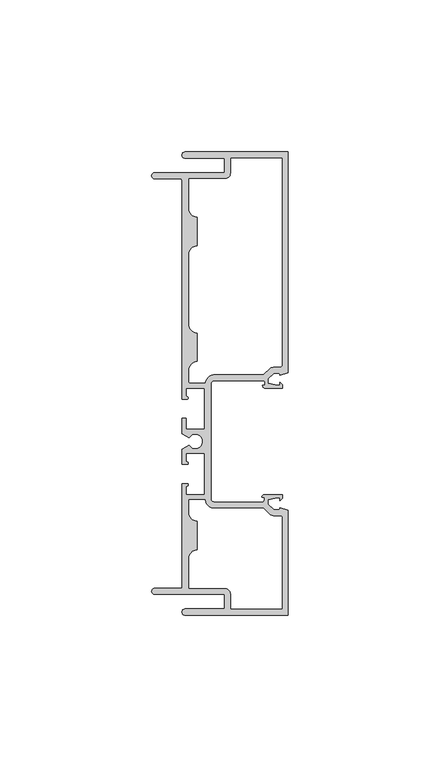
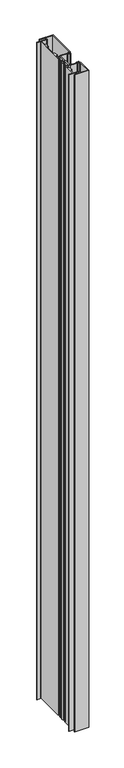
"""IFC4 building model written with IfcOpenShell, lengths in millimetres: plate geometry."""

import ifcopenshell
import ifcopenshell.guid

model = None  # the IFC model being written
_history = None  # IfcOwnerHistory: only IFC2X3 demands one
_inside = {}  # id of a spatial element -> (the spatial element, [elements in it])
_under = {}  # id of a project, library or spatial element -> (it, [spatial elements below it])
_declared = {}  # id of a project -> (the project, [libraries it declares])
_typed = {}  # id of a type object -> (the type object, [elements of that type])
_made_of = {}  # id of a material, layer set ... -> (it, [elements and type objects made of it])


def new_model(schema):
    """Start an empty IFC model of exactly this schema.

    Asked for "IFC4X3", IfcOpenShell would pick the latest addendum, in which some entities
    have other attributes; the version numbers below select the first issue.
    IFC2X3 requires an IfcOwnerHistory on every rooted entity: one is made here for all.
    """
    global model, _history
    if schema == "IFC4X3":
        model = ifcopenshell.file(schema_version=(4, 3, 0, 0))
    else:
        model = ifcopenshell.file(schema=schema)
    _inside.clear()
    _under.clear()
    _declared.clear()
    _typed.clear()
    _made_of.clear()
    _history = None
    if model.schema == "IFC2X3":
        org = make("IfcOrganization", Name="unknown")
        user = make(
            "IfcPersonAndOrganization",
            ThePerson=make("IfcPerson", FamilyName="unknown"),
            TheOrganization=org,
        )
        app = make(
            "IfcApplication",
            ApplicationDeveloper=org,
            Version="unknown",
            ApplicationFullName="unknown",
            ApplicationIdentifier="unknown",
        )
        _history = make(
            "IfcOwnerHistory",
            OwningUser=user,
            OwningApplication=app,
            ChangeAction="ADDED",
            CreationDate=0,
        )
    return model


def make(cls, **values):
    """One entity of the class cls with the attributes given. An attribute that is None is left unset."""
    return model.create_entity(
        cls, **{name: value for name, value in values.items() if value is not None}
    )


def rooted(cls, **values):
    """An entity with a GlobalId (a new one), such as an element, a storey or a relation."""
    return make(cls, GlobalId=ifcopenshell.guid.new(), OwnerHistory=_history, **values)


def si_unit(unit_type, name, prefix=None):
    """IfcSIUnit, for example si_unit("LENGTHUNIT", "METRE", prefix="MILLI")."""
    return make("IfcSIUnit", UnitType=unit_type, Prefix=prefix, Name=name)


def assignment(units):
    """IfcUnitAssignment: the units of a project."""
    return None if units is None else make("IfcUnitAssignment", Units=units)


def point(xyz):
    """IfcCartesianPoint."""
    return None if xyz is None else make("IfcCartesianPoint", Coordinates=xyz)


def direction(xyz):
    """IfcDirection."""
    return None if xyz is None else make("IfcDirection", DirectionRatios=xyz)


def frame(location, z_axis=None, x_axis=None):
    """IfcAxis2Placement3D, a coordinate frame: its origin and axes. An axis left out is left unset."""
    return make(
        "IfcAxis2Placement3D",
        Location=point(location),
        Axis=direction(z_axis),
        RefDirection=direction(x_axis),
    )


def origin():
    """The frame at (0, 0, 0) with its axes left unset."""
    return frame((0.0, 0.0, 0.0))


def place(relative_to, where):
    """IfcLocalPlacement: puts the frame where relative to a parent placement (None: the world)."""
    return make(
        "IfcLocalPlacement", PlacementRelTo=relative_to, RelativePlacement=where
    )


def context(
    kind, dimensions, precision=None, world=None, true_north=None, identifier=None
):
    """IfcGeometricRepresentationContext, for example the 3D "Model" context."""
    return make(
        "IfcGeometricRepresentationContext",
        ContextIdentifier=identifier,
        ContextType=kind,
        CoordinateSpaceDimension=dimensions,
        Precision=precision,
        WorldCoordinateSystem=world,
        TrueNorth=true_north,
    )


def project(units=None, contexts=None):
    """IfcProject with its units and contexts."""
    return rooted(
        "IfcProject",
        Name="project",
        RepresentationContexts=contexts,
        UnitsInContext=assignment(units),
    )


def spatial(cls, under=None, at=None, **own):
    """A site, building, storey or space (cls), placed at a placement, below another one or the project."""
    s = rooted(cls, ObjectPlacement=at, **own)
    if under is not None:
        _under.setdefault(under.id(), (under, []))[1].append(s)
    return s


def polyline(points):
    """IfcPolyline through the points."""
    return make("IfcPolyline", Points=[point(p) for p in points])


def circle_curve(where, radius):
    """IfcCircle in the frame where."""
    return make("IfcCircle", Position=where, Radius=radius)


def shape(context_of_items, identifier, shape_type, items):
    """IfcShapeRepresentation: the items that make up one representation, for example the "Body"."""
    return make(
        "IfcShapeRepresentation",
        ContextOfItems=context_of_items,
        RepresentationIdentifier=identifier,
        RepresentationType=shape_type,
        Items=items,
    )


def source(mapping_origin, context_of_items, identifier, shape_type, items):
    """IfcRepresentationMap: a shape defined once, which mapped items show again and again."""
    return make(
        "IfcRepresentationMap",
        MappingOrigin=mapping_origin,
        MappedRepresentation=shape(context_of_items, identifier, shape_type, items),
    )


def transform(
    local_origin,
    x_axis=None,
    y_axis=None,
    z_axis=None,
    scale=None,
    scale2=None,
    scale3=None,
    uniform=True,
):
    """IfcCartesianTransformationOperator3D, or its non-uniform kind. x_axis, y_axis, z_axis: its Axis1, 2, 3."""
    if uniform:
        return make(
            "IfcCartesianTransformationOperator3D",
            Axis1=direction(x_axis),
            Axis2=direction(y_axis),
            LocalOrigin=point(local_origin),
            Scale=scale,
            Axis3=direction(z_axis),
        )
    return make(
        "IfcCartesianTransformationOperator3DnonUniform",
        Axis1=direction(x_axis),
        Axis2=direction(y_axis),
        LocalOrigin=point(local_origin),
        Scale=scale,
        Axis3=direction(z_axis),
        Scale2=scale2,
        Scale3=scale3,
    )


def mapped(mapping_source, mapping_target):
    """IfcMappedItem: shows the shape of a source again, moved by a transform."""
    return make(
        "IfcMappedItem", MappingSource=mapping_source, MappingTarget=mapping_target
    )


def made_of(thing, what):
    """Note that an element or type object is made of a material, layer set ...; save() writes the relation."""
    if what is not None:
        _made_of.setdefault(what.id(), (what, []))[1].append(thing)
    return thing


def element(
    cls,
    number,
    at=None,
    inside=None,
    cuts=None,
    type_object=None,
    material=None,
    context=None,
    identifier="Body",
    shape_type=None,
    held_by="IfcProductDefinitionShape",
    body=None,
    shapes=None,
    **own,
):
    """One element of the class cls, such as IfcWall. Its Tag is "e" and its number.

    at: its placement. inside: the storey or other place that contains it. cuts: it is an
    opening in that element (IfcRelVoidsElement). A single representation is given by context,
    identifier, shape_type and body (its items); several are given by shapes. held_by: the class
    of the entity that holds the representations. save() writes the other relations.
    """
    e = rooted(cls, Tag="e%d" % number, ObjectPlacement=at, **own)
    if body is not None:
        shapes = [shape(context, identifier, shape_type, body)]
    if shapes is not None:
        e.Representation = make(held_by, Representations=shapes)
    if inside is not None:
        _inside.setdefault(inside.id(), (inside, []))[1].append(e)
    if cuts is not None:
        rooted(
            "IfcRelVoidsElement", RelatingBuildingElement=cuts, RelatedOpeningElement=e
        )
    if type_object is not None:
        _typed.setdefault(type_object.id(), (type_object, []))[1].append(e)
    return made_of(e, material)


def aggregate(whole, parts):
    """IfcRelAggregates: a whole, such as a stair, and the parts it consists of."""
    return rooted("IfcRelAggregates", RelatingObject=whole, RelatedObjects=parts)


def save(model, path):
    """Write the relations noted so far, then the file.

    IfcRelAggregates (storeys below a building ...), IfcRelContainedInSpatialStructure (elements
    in a storey), IfcRelDefinesByType, IfcRelAssociatesMaterial and IfcRelDeclares: one each for
    every whole, place, type object, material and project.
    """
    for whole, parts in _under.values():
        aggregate(whole, parts)
    for where, things in _inside.values():
        rooted(
            "IfcRelContainedInSpatialStructure",
            RelatedElements=things,
            RelatingStructure=where,
        )
    for kind, things in _typed.values():
        rooted("IfcRelDefinesByType", RelatedObjects=things, RelatingType=kind)
    for what, things in _made_of.values():
        rooted("IfcRelAssociatesMaterial", RelatedObjects=things, RelatingMaterial=what)
    for by, libraries in _declared.values():
        rooted("IfcRelDeclares", RelatingContext=by, RelatedDefinitions=libraries)
    model.write(path)


def plane_surface(at):
    """IfcPlane: the flat surface through the origin of the frame at, square to its z axis."""
    return make("IfcPlane", Position=at)


def cylinder_surface(at, radius):
    """IfcCylindricalSurface: all points at the distance radius from the z axis of the frame at."""
    return make("IfcCylindricalSurface", Position=at, Radius=radius)


def revolved_surface(curve, axis_point, axis_direction):
    """IfcSurfaceOfRevolution: the curve turned about the line through axis_point along axis_direction."""
    return make(
        "IfcSurfaceOfRevolution",
        SweptCurve=make("IfcArbitraryOpenProfileDef", ProfileType="CURVE", Curve=curve),
        AxisPosition=make("IfcAxis1Placement", Location=point(axis_point), Axis=direction(axis_direction)),
    )


def extruded_surface(curve, direction_of_extrusion, depth):
    """IfcSurfaceOfLinearExtrusion: the curve pushed along a direction by depth."""
    return make(
        "IfcSurfaceOfLinearExtrusion",
        SweptCurve=make("IfcArbitraryOpenProfileDef", ProfileType="CURVE", Curve=curve),
        ExtrudedDirection=direction(direction_of_extrusion),
        Depth=depth,
    )


def spline_curve(degree, points, multiplicities, knots, weights=None):
    """IfcBSplineCurveWithKnots; with weights, IfcRationalBSplineCurveWithKnots."""
    own = dict(
        Degree=degree,
        ControlPointsList=[point(p) for p in points],
        CurveForm="UNSPECIFIED",
        ClosedCurve=False,
        SelfIntersect=False,
        KnotMultiplicities=multiplicities,
        Knots=knots,
        KnotSpec="UNSPECIFIED",
    )
    if weights is None:
        return make("IfcBSplineCurveWithKnots", **own)
    return make("IfcRationalBSplineCurveWithKnots", WeightsData=weights, **own)


def advanced_brep(points, edges, surfaces, faces):
    """IfcAdvancedBrep: a solid bounded by faces that lie on surfaces and meet in shared edges.

    An edge is (start, end): straight between two places in points (the first is 0);
    or (start, end, curve); or (start, end, curve, False) where it runs against its curve.
    A face is (place in surfaces, loops), or (place, loops, False) where it looks against
    its surface's normal. A loop lists edges by number (the first is 1), with a minus sign
    where the edge is run from its end to its start. The first loop is the outer one.
    """
    corners = [point(p) for p in points]
    vertices = [make("IfcVertexPoint", VertexGeometry=c) for c in corners]
    made = []
    for start, end, *more in edges:
        made.append(
            make(
                "IfcEdgeCurve",
                EdgeStart=vertices[start],
                EdgeEnd=vertices[end],
                EdgeGeometry=more[0] if more else make("IfcPolyline", Points=[corners[start], corners[end]]),
                SameSense=more[1] if len(more) > 1 else True,
            )
        )
    hull = []
    for where, loops, *sense in faces:
        bounds = []
        for j, loop in enumerate(loops):
            ring = [make("IfcOrientedEdge", EdgeElement=made[abs(k) - 1], Orientation=k > 0) for k in loop]
            bounds.append(
                make(
                    "IfcFaceOuterBound" if j == 0 else "IfcFaceBound",
                    Bound=make("IfcEdgeLoop", EdgeList=ring),
                    Orientation=True,
                )
            )
        hull.append(make("IfcAdvancedFace", Bounds=bounds, FaceSurface=surfaces[where], SameSense=sense[0] if sense else True))
    return make("IfcAdvancedBrep", Outer=make("IfcClosedShell", CfsFaces=hull))


def plate_f58cd3ab(model_context):
    return source(origin(), model_context, "Body", "AdvancedBrep", [
        advanced_brep(
        [(97.8535, 107.95, 1710.2666667), (97.8535, 105.918, 1710.2666667), (110.8837, 105.918, 1710.2666667), (110.8837, 101.1428, 1710.2666667), (87.8967, 101.1428, 1710.2666667), (87.8967, 99.1108, 1710.2666667), (96.3295, 99.1108, 1710.2666667), (96.8375, 98.6028, 1710.2666667), (96.8375, 26.6065635, 1710.2666667), (98.5012, 26.6065635, 1710.2666667), (98.5012, 27.3939635, 1710.2666667), (98.1075, 28.0613166, 1710.2666667), (98.1075, 30.1879635, 1710.2666667), (104.3305, 30.1879635, 1710.2666667), (104.3305, 16.6751635, 1710.2666667), (98.1075, 16.6751635, 1710.2666667), (98.1075, 20.2565635, 1710.2666667), (96.8375, 20.2565635, 1710.2666667), (96.8375, 15.2424237, 1710.2666667), (99.1292807, 13.9192635, 1710.2666667), (99.1292807, 11.5062635, 1710.2666667), (96.8375, 10.1831033, 1710.2666667), (96.8375, 5.1689635, 1710.2666667), (98.5012, 5.1689635, 1710.2666667), (98.1075, 6.1451016, 1710.2666667), (98.1075, 8.7503635, 1710.2666667), (104.3305, 8.7503635, 1710.2666667), (104.3305, -4.7624365, 1710.2666667), (98.1075, -4.7624365, 1710.2666667), (98.1075, -2.1610439, 1710.2666667), (98.5012, -1.1849057, 1710.2666667), (96.8375, -1.1849057, 1710.2666667), (96.8375, -35.6108, 1710.2666667), (87.8967, -35.6108, 1710.2666667), (87.8967, -37.6428, 1710.2666667), (110.8837, -37.6428, 1710.2666667), (110.8837, -42.418, 1710.2666667), (97.8535, -42.418, 1710.2666667), (97.8535, -44.45, 1710.2666667), (131.7625, -44.45, 1710.2666667), (131.7625, -9.9816997, 1710.2666667), (129.159, -9.06653, 1710.2666667), (128.9000739, -9.80313, 1710.2666667), (127.07464, -9.80313, 1710.2666667), (125.1966, -7.92353, 1710.2666667), (125.1966, -6.4494761, 1710.2666667), (128.1938, -5.7912, 1710.2666667), (129.159, -5.7912, 1710.2666667), (129.159, -6.734082, 1710.2666667), (129.9729726, -5.9201094, 1710.2666667), (129.9729726, -4.7752, 1710.2666667), (124.1098848, -4.7752, 1710.2666667), (123.1445578, -5.740527, 1710.2666667), (123.9266, -5.740527, 1710.2666667), (123.9266, -6.680327, 1710.2666667), (123.2916, -7.315327, 1710.2666667), (107.6325, -7.315327, 1710.2666667), (106.3625, -6.045327, 1710.2666667), (106.3625, 31.445327, 1710.2666667), (107.6325, 32.715327, 1710.2666667), (123.5892562, 32.715327, 1710.2666667), (124.2242562, 32.080327, 1710.2666667), (124.2242562, 31.140527, 1710.2666667), (123.3678, 31.140527, 1710.2666667), (124.333127, 30.1752, 1710.2666667), (129.9729726, 30.1752, 1710.2666667), (129.9729726, 31.3201094, 1710.2666667), (129.159, 32.134082, 1710.2666667), (129.159, 31.1912, 1710.2666667), (128.1938, 31.1912, 1710.2666667), (125.1966, 31.8494761, 1710.2666667), (125.1966, 33.32353, 1710.2666667), (127.07464, 35.20313, 1710.2666667), (128.9000739, 35.20313, 1710.2666667), (129.159, 34.46653, 1710.2666667), (131.7625, 35.3816997, 1710.2666667), (131.7625, 107.95, 1710.2666667), (99.1235, 99.1108, 1710.2666667), (110.8837, 99.1108, 1710.2666667), (112.9157, 101.1428, 1710.2666667), (112.9157, 105.918, 1710.2666667), (129.7305, 105.918, 1710.2666667), (129.7305, 37.74313, 1710.2666667), (129.2225, 37.23513, 1710.2666667), (127.3378201, 37.23513, 1710.2666667), (125.4511835, 36.4532007, 1710.2666667), (123.7467256, 34.747327, 1710.2666667), (107.6325, 34.747327, 1710.2666667), (104.3718238, 31.9660905, 1710.2666667), (99.6315, 31.9660905, 1710.2666667), (99.1235, 32.4740905, 1710.2666667), (99.1235, 36.1188, 1710.2666667), (101.9175, 38.9128, 1710.2666667), (101.9175, 48.4378, 1710.2666667), (99.1235, 51.2318, 1710.2666667), (99.1235, 74.2315, 1710.2666667), (101.9175, 77.0255, 1710.2666667), (101.9175, 86.5505, 1710.2666667), (99.1235, 89.3445, 1710.2666667), (127.3378201, -11.83513, 1710.2666667), (129.2225, -11.83513, 1710.2666667), (129.7305, -12.34313, 1710.2666667), (129.7305, -42.418, 1710.2666667), (112.9157, -42.418, 1710.2666667), (112.9157, -37.6428, 1710.2666667), (110.8837, -35.6108, 1710.2666667), (99.1235, -35.6108, 1710.2666667), (99.1235, -25.8318, 1710.2666667), (101.9175, -23.0378, 1710.2666667), (101.9175, -13.5128, 1710.2666667), (99.1235, -10.7188, 1710.2666667), (99.1235, -6.5405635, 1710.2666667), (104.3678492, -6.5405635, 1710.2666667), (107.6325, -9.347327, 1710.2666667), (123.7467256, -9.347327, 1710.2666667), (125.4511835, -11.0532007, 1710.2666667), (97.8535, 107.95, 0.0), (131.7625, 107.95, 0.0), (131.7625, 35.3816997, 0.0), (129.159, 34.46653, 0.0), (128.9000739, 35.20313, 0.0), (127.07464, 35.20313, 0.0), (125.1966, 33.32353, 0.0), (125.1966, 31.8494761, 0.0), (128.1938, 31.1912, 0.0), (129.159, 31.1912, 0.0), (129.159, 32.134082, 0.0), (129.9729726, 31.3201094, 0.0), (129.9729726, 30.1752, 0.0), (124.333127, 30.1752, 0.0), (123.3678, 31.140527, 0.0), (124.2242562, 31.140527, 0.0), (124.2242562, 32.080327, 0.0), (123.5892562, 32.715327, 0.0), (107.6325, 32.715327, 0.0), (106.3625, 31.445327, 0.0), (106.3625, -6.045327, 0.0), (107.6325, -7.315327, 0.0), (123.2916, -7.315327, 0.0), (123.9266, -6.680327, 0.0), (123.9266, -5.740527, 0.0), (123.1445578, -5.740527, 0.0), (124.1098848, -4.7752, 0.0), (129.9729726, -4.7752, 0.0), (129.9729726, -5.9201094, 0.0), (129.159, -6.734082, 0.0), (129.159, -5.7912, 0.0), (128.1938, -5.7912, 0.0), (125.1966, -6.4494761, 0.0), (125.1966, -7.92353, 0.0), (127.07464, -9.80313, 0.0), (128.9000739, -9.80313, 0.0), (129.159, -9.06653, 0.0), (131.7625, -9.9816997, 0.0), (131.7625, -44.45, 0.0), (97.8535, -44.45, 0.0), (97.8535, -42.418, 0.0), (110.8837, -42.418, 0.0), (110.8837, -37.6428, 0.0), (87.8967, -37.6428, 0.0), (87.8967, -35.6108, 0.0), (96.8375, -35.6108, 0.0), (96.8375, -1.1849057, 0.0), (98.5012, -1.1849057, 0.0), (98.1075, -2.1610439, 0.0), (98.1075, -4.7624365, 0.0), (104.3305, -4.7624365, 0.0), (104.3305, 8.7503635, 0.0), (98.1075, 8.7503635, 0.0), (98.1075, 6.1451016, 0.0), (98.5012, 5.1689635, 0.0), (96.8375, 5.1689635, 0.0), (96.8375, 10.1831033, 0.0), (99.1292807, 11.5062635, 0.0), (99.1292807, 13.9192635, 0.0), (96.8375, 15.2424237, 0.0), (96.8375, 20.2565635, 0.0), (98.1075, 20.2565635, 0.0), (98.1075, 16.6751635, 0.0), (104.3305, 16.6751635, 0.0), (104.3305, 30.1879635, 0.0), (98.1075, 30.1879635, 0.0), (98.1075, 28.0613166, 0.0), (98.5012, 27.3939635, 0.0), (98.5012, 26.6065635, 0.0), (96.8375, 26.6065635, 0.0), (96.8375, 98.6028, 0.0), (96.3295, 99.1108, 0.0), (87.8967, 99.1108, 0.0), (87.8967, 101.1428, 0.0), (110.8837, 101.1428, 0.0), (110.8837, 105.918, 0.0), (97.8535, 105.918, 0.0), (99.1235, 99.1108, 0.0), (99.1235, 89.3445, 0.0), (101.9175, 86.5505, 0.0), (101.9175, 77.0255, 0.0), (99.1235, 74.2315, 0.0), (99.1235, 51.2318, 0.0), (101.9175, 48.4378, 0.0), (101.9175, 38.9128, 0.0), (99.1235, 36.1188, 0.0), (99.1235, 32.4740905, 0.0), (99.6315, 31.9660905, 0.0), (104.3718238, 31.9660905, 0.0), (107.6325, 34.747327, 0.0), (123.7467256, 34.747327, 0.0), (125.4511835, 36.4532007, 0.0), (127.3378201, 37.23513, 0.0), (129.2225, 37.23513, 0.0), (129.7305, 37.74313, 0.0), (129.7305, 105.918, 0.0), (112.9157, 105.918, 0.0), (112.9157, 101.1428, 0.0), (110.8837, 99.1108, 0.0), (127.3378201, -11.83513, 0.0), (125.4511835, -11.0532007, 0.0), (123.7467256, -9.347327, 0.0), (107.6325, -9.347327, 0.0), (104.3678492, -6.5405635, 0.0), (99.1235, -6.5405635, 0.0), (99.1235, -10.7188, 0.0), (101.9175, -13.5128, 0.0), (101.9175, -23.0378, 0.0), (99.1235, -25.8318, 0.0), (99.1235, -35.6108, 0.0), (110.8837, -35.6108, 0.0), (112.9157, -37.6428, 0.0), (112.9157, -42.418, 0.0), (129.7305, -42.418, 0.0), (129.7305, -12.34313, 0.0), (129.2225, -11.83513, 0.0)],
        [
            (0, 1, circle_curve(frame((97.8535, 106.934, 1710.2666667), z_axis=(0.0, 0.0, 1.0), x_axis=(0.0, 1.0, 0.0)), 1.016)),
            (1, 2),
            (2, 3),
            (3, 4),
            (4, 5, circle_curve(frame((87.8967, 100.1268, 1710.2666667), z_axis=(0.0, 0.0, 1.0), x_axis=(0.0, 1.0, 0.0)), 1.016)),
            (5, 6),
            (6, 7, circle_curve(frame((96.3295, 98.6028, 1710.2666667), z_axis=(0.0, 0.0, -1.0), x_axis=(0.0, 1.0, 0.0)), 0.508)),
            (7, 8),
            (8, 9),
            (9, 10, circle_curve(frame((98.5012, 27.0002635, 1710.2666667), z_axis=(0.0, 0.0, 1.0), x_axis=(0.0, 1.0, 0.0)), 0.3937)),
            (10, 11, circle_curve(frame((98.8699585, 28.0613166, 1710.2666667), z_axis=(0.0, 0.0, -1.0), x_axis=(0.0, 1.0, 0.0)), 0.7624585)),
            (11, 12),
            (12, 13),
            (13, 14),
            (14, 15),
            (15, 16),
            (16, 17),
            (17, 18),
            (18, 19),
            (19, 20, circle_curve(frame((101.219, 12.7127635, 1710.2666667), z_axis=(0.0, 0.0, -1.0), x_axis=(0.0, 1.0, 0.0)), 2.413)),
            (20, 21),
            (21, 22),
            (22, 23),
            (23, 24, spline_curve(3, [(98.5012, 5.1689635, 1710.2666667), (98.740983519, 5.211243804, 1710.2666667), (98.782143914, 5.24201685, 1710.2666667), (98.850249598, 5.317468563, 1710.2666667), (98.857891197, 5.360805734, 1710.2666667), (98.873382803, 5.546790741, 1710.2666667), (98.879748834, 5.725625622, 1710.2666667), (98.665948995, 5.939336439, 1710.2666667), (98.401363232, 5.93933635, 1710.2666667), (98.1075, 6.1451016, 1710.2666667)], [4, 2, 2, 2, 4], [0.0, 0.0005581775979920252, 0.0014141886036385456, 0.002659292844354508, 0.004147214338502557])),
            (24, 25),
            (25, 26),
            (26, 27),
            (27, 28),
            (28, 29),
            (29, 30, spline_curve(3, [(98.1075, -2.1610439, 1710.2666667), (98.401363232, -1.95527865, 1710.2666667), (98.665948995, -1.955278639, 1710.2666667), (98.879748834, -1.741567822, 1710.2666667), (98.873382803, -1.562732941, 1710.2666667), (98.857891197, -1.376747934, 1710.2666667), (98.850249598, -1.333410763, 1710.2666667), (98.782143914, -1.25795905, 1710.2666667), (98.740983519, -1.227186004, 1710.2666667), (98.5012, -1.1849057, 1710.2666667)], [4, 2, 2, 2, 4], [0.0, 0.0014879214941480494, 0.0027330257348640117, 0.003589036740510532, 0.004147214338502557])),
            (30, 31),
            (31, 32),
            (32, 33),
            (33, 34, circle_curve(frame((87.8967, -36.6268, 1710.2666667), z_axis=(0.0, 0.0, 1.0), x_axis=(0.0, 1.0, 0.0)), 1.016)),
            (34, 35),
            (35, 36),
            (36, 37),
            (37, 38, circle_curve(frame((97.8535, -43.434, 1710.2666667), z_axis=(0.0, 0.0, 1.0), x_axis=(0.0, 1.0, 0.0)), 1.016)),
            (38, 39),
            (39, 40),
            (40, 41),
            (41, 42),
            (42, 43),
            (43, 44),
            (44, 45),
            (45, 46),
            (46, 47),
            (47, 48),
            (48, 49),
            (49, 50),
            (50, 51),
            (51, 52, circle_curve(frame((124.1098848, -5.740527, 1710.2666667), z_axis=(0.0, 0.0, 1.0), x_axis=(0.0, 1.0, 0.0)), 0.965327)),
            (52, 53),
            (53, 54),
            (54, 55, circle_curve(frame((123.2916, -6.680327, 1710.2666667), z_axis=(0.0, 0.0, -1.0), x_axis=(0.0, 1.0, 0.0)), 0.635)),
            (55, 56),
            (56, 57, circle_curve(frame((107.6325, -6.045327, 1710.2666667), z_axis=(0.0, 0.0, -1.0), x_axis=(0.0, 1.0, 0.0)), 1.27)),
            (57, 58),
            (58, 59, circle_curve(frame((107.6325, 31.445327, 1710.2666667), z_axis=(0.0, 0.0, -1.0), x_axis=(0.0, 1.0, 0.0)), 1.27)),
            (59, 60),
            (60, 61, circle_curve(frame((123.5892562, 32.080327, 1710.2666667), z_axis=(0.0, 0.0, -1.0), x_axis=(0.0, 1.0, 0.0)), 0.635)),
            (61, 62),
            (62, 63),
            (63, 64, circle_curve(frame((124.333127, 31.140527, 1710.2666667), z_axis=(0.0, 0.0, 1.0), x_axis=(0.0, 1.0, 0.0)), 0.965327)),
            (64, 65),
            (65, 66),
            (66, 67),
            (67, 68),
            (68, 69),
            (69, 70),
            (70, 71),
            (71, 72),
            (72, 73),
            (73, 74),
            (74, 75),
            (75, 76),
            (76, 0),
            (77, 78),
            (78, 79, circle_curve(frame((110.8837, 101.1428, 1710.2666667), z_axis=(0.0, 0.0, 1.0), x_axis=(0.0, 1.0, 0.0)), 2.032)),
            (79, 80),
            (80, 81),
            (81, 82),
            (82, 83, circle_curve(frame((129.2225, 37.74313, 1710.2666667), z_axis=(0.0, 0.0, -1.0), x_axis=(0.0, 1.0, 0.0)), 0.508)),
            (83, 84),
            (84, 85, circle_curve(frame((127.3378201, 34.56813, 1710.2666667), z_axis=(0.0, 0.0, 1.0), x_axis=(0.0, 1.0, 0.0)), 2.667)),
            (85, 86),
            (86, 87),
            (87, 88, circle_curve(frame((107.6325, 31.445327, 1710.2666667), z_axis=(0.0, 0.0, 1.0), x_axis=(0.0, 1.0, 0.0)), 3.302)),
            (88, 89),
            (89, 90, circle_curve(frame((99.6315, 32.4740905, 1710.2666667), z_axis=(0.0, 0.0, -1.0), x_axis=(0.0, 1.0, 0.0)), 0.508)),
            (90, 91),
            (91, 92, circle_curve(frame((101.9175, 36.1188, 1710.2666667), z_axis=(0.0, 0.0, -1.0), x_axis=(0.0, 1.0, 0.0)), 2.794)),
            (92, 93),
            (93, 94, circle_curve(frame((101.9175, 51.2318, 1710.2666667), z_axis=(0.0, 0.0, -1.0), x_axis=(0.0, 1.0, 0.0)), 2.794)),
            (94, 95),
            (95, 96, circle_curve(frame((101.9175, 74.2315, 1710.2666667), z_axis=(0.0, 0.0, -1.0), x_axis=(0.0, 1.0, 0.0)), 2.794)),
            (96, 97),
            (97, 98, circle_curve(frame((101.9175, 89.3445, 1710.2666667), z_axis=(0.0, 0.0, -1.0), x_axis=(0.0, 1.0, 0.0)), 2.794)),
            (98, 77),
            (99, 100),
            (100, 101, circle_curve(frame((129.2225, -12.34313, 1710.2666667), z_axis=(0.0, 0.0, -1.0), x_axis=(0.0, 1.0, 0.0)), 0.508)),
            (101, 102),
            (102, 103),
            (103, 104),
            (104, 105, circle_curve(frame((110.8837, -37.6428, 1710.2666667), z_axis=(0.0, 0.0, 1.0), x_axis=(0.0, 1.0, 0.0)), 2.032)),
            (105, 106),
            (106, 107),
            (107, 108, circle_curve(frame((101.9175, -25.8318, 1710.2666667), z_axis=(0.0, 0.0, -1.0), x_axis=(0.0, 1.0, 0.0)), 2.794)),
            (108, 109),
            (109, 110, circle_curve(frame((101.9175, -10.7188, 1710.2666667), z_axis=(0.0, 0.0, -1.0), x_axis=(0.0, 1.0, 0.0)), 2.794)),
            (110, 111),
            (111, 112),
            (112, 113, circle_curve(frame((107.6325, -6.045327, 1710.2666667), z_axis=(0.0, 0.0, 1.0), x_axis=(0.0, 1.0, 0.0)), 3.302)),
            (113, 114),
            (114, 115),
            (115, 99, circle_curve(frame((127.3378201, -9.16813, 1710.2666667), z_axis=(0.0, 0.0, 1.0), x_axis=(0.0, 1.0, 0.0)), 2.667)),
            (116, 117),
            (117, 118),
            (118, 119),
            (119, 120),
            (120, 121),
            (121, 122),
            (122, 123),
            (123, 124),
            (124, 125),
            (125, 126),
            (126, 127),
            (127, 128),
            (128, 129),
            (129, 130, circle_curve(frame((124.333127, 31.140527, 0.0), z_axis=(0.0, 0.0, -1.0), x_axis=(0.0, 1.0, 0.0)), 0.965327)),
            (130, 131),
            (131, 132),
            (132, 133, circle_curve(frame((123.5892562, 32.080327, 0.0), z_axis=(0.0, 0.0, 1.0), x_axis=(0.0, 1.0, 0.0)), 0.635)),
            (133, 134),
            (134, 135, circle_curve(frame((107.6325, 31.445327, 0.0), z_axis=(0.0, 0.0, 1.0), x_axis=(0.0, 1.0, 0.0)), 1.27)),
            (135, 136),
            (136, 137, circle_curve(frame((107.6325, -6.045327, 0.0), z_axis=(0.0, 0.0, 1.0), x_axis=(0.0, 1.0, 0.0)), 1.27)),
            (137, 138),
            (138, 139, circle_curve(frame((123.2916, -6.680327, 0.0), z_axis=(0.0, 0.0, 1.0), x_axis=(0.0, 1.0, 0.0)), 0.635)),
            (139, 140),
            (140, 141),
            (141, 142, circle_curve(frame((124.1098848, -5.740527, 0.0), z_axis=(0.0, 0.0, -1.0), x_axis=(0.0, 1.0, 0.0)), 0.965327)),
            (142, 143),
            (143, 144),
            (144, 145),
            (145, 146),
            (146, 147),
            (147, 148),
            (148, 149),
            (149, 150),
            (150, 151),
            (151, 152),
            (152, 153),
            (153, 154),
            (154, 155),
            (155, 156, circle_curve(frame((97.8535, -43.434, 0.0), z_axis=(0.0, 0.0, -1.0), x_axis=(0.0, 1.0, 0.0)), 1.016)),
            (156, 157),
            (157, 158),
            (158, 159),
            (159, 160, circle_curve(frame((87.8967, -36.6268, 0.0), z_axis=(0.0, 0.0, -1.0), x_axis=(0.0, 1.0, 0.0)), 1.016)),
            (160, 161),
            (161, 162),
            (162, 163),
            (163, 164, spline_curve(3, [(98.5012, -1.1849057, 0.0), (98.740983519, -1.227186004, 0.0), (98.782143914, -1.25795905, 0.0), (98.850249598, -1.333410763, 0.0), (98.857891197, -1.376747934, 0.0), (98.873382803, -1.562732941, 0.0), (98.879748834, -1.741567822, 0.0), (98.665948995, -1.955278639, 0.0), (98.401363232, -1.95527865, 0.0), (98.1075, -2.1610439, 0.0)], [4, 2, 2, 2, 4], [0.0, 0.0005581775979920252, 0.0014141886036385456, 0.002659292844354508, 0.004147214338502557])),
            (164, 165),
            (165, 166),
            (166, 167),
            (167, 168),
            (168, 169),
            (169, 170, spline_curve(3, [(98.1075, 6.1451016, 0.0), (98.401363232, 5.93933635, 0.0), (98.665948995, 5.939336439, 0.0), (98.879748834, 5.725625622, 0.0), (98.873382803, 5.546790741, 0.0), (98.857891197, 5.360805734, 0.0), (98.850249598, 5.317468563, 0.0), (98.782143914, 5.24201685, 0.0), (98.740983519, 5.211243804, 0.0), (98.5012, 5.1689635, 0.0)], [4, 2, 2, 2, 4], [0.0, 0.0014879214941480494, 0.0027330257348640117, 0.003589036740510532, 0.004147214338502557])),
            (170, 171),
            (171, 172),
            (172, 173),
            (173, 174, circle_curve(frame((101.219, 12.7127635, 0.0), z_axis=(0.0, 0.0, 1.0), x_axis=(0.0, 1.0, 0.0)), 2.413)),
            (174, 175),
            (175, 176),
            (176, 177),
            (177, 178),
            (178, 179),
            (179, 180),
            (180, 181),
            (181, 182),
            (182, 183, circle_curve(frame((98.8699585, 28.0613166, 0.0), z_axis=(0.0, 0.0, 1.0), x_axis=(0.0, 1.0, 0.0)), 0.7624585)),
            (183, 184, circle_curve(frame((98.5012, 27.0002635, 0.0), z_axis=(0.0, 0.0, -1.0), x_axis=(0.0, 1.0, 0.0)), 0.3937)),
            (184, 185),
            (185, 186),
            (186, 187, circle_curve(frame((96.3295, 98.6028, 0.0), z_axis=(0.0, 0.0, 1.0), x_axis=(0.0, 1.0, 0.0)), 0.508)),
            (187, 188),
            (188, 189, circle_curve(frame((87.8967, 100.1268, 0.0), z_axis=(0.0, 0.0, -1.0), x_axis=(0.0, 1.0, 0.0)), 1.016)),
            (189, 190),
            (190, 191),
            (191, 192),
            (192, 116, circle_curve(frame((97.8535, 106.934, 0.0), z_axis=(0.0, 0.0, -1.0), x_axis=(0.0, 1.0, 0.0)), 1.016)),
            (193, 194),
            (194, 195, circle_curve(frame((101.9175, 89.3445, 0.0), z_axis=(0.0, 0.0, 1.0), x_axis=(0.0, 1.0, 0.0)), 2.794)),
            (195, 196),
            (196, 197, circle_curve(frame((101.9175, 74.2315, 0.0), z_axis=(0.0, 0.0, 1.0), x_axis=(0.0, 1.0, 0.0)), 2.794)),
            (197, 198),
            (198, 199, circle_curve(frame((101.9175, 51.2318, 0.0), z_axis=(0.0, 0.0, 1.0), x_axis=(0.0, 1.0, 0.0)), 2.794)),
            (199, 200),
            (200, 201, circle_curve(frame((101.9175, 36.1188, 0.0), z_axis=(0.0, 0.0, 1.0), x_axis=(0.0, 1.0, 0.0)), 2.794)),
            (201, 202),
            (202, 203, circle_curve(frame((99.6315, 32.4740905, 0.0), z_axis=(0.0, 0.0, 1.0), x_axis=(0.0, 1.0, 0.0)), 0.508)),
            (203, 204),
            (204, 205, circle_curve(frame((107.6325, 31.445327, 0.0), z_axis=(0.0, 0.0, -1.0), x_axis=(0.0, 1.0, 0.0)), 3.302)),
            (205, 206),
            (206, 207),
            (207, 208, circle_curve(frame((127.3378201, 34.56813, 0.0), z_axis=(0.0, 0.0, -1.0), x_axis=(0.0, 1.0, 0.0)), 2.667)),
            (208, 209),
            (209, 210, circle_curve(frame((129.2225, 37.74313, 0.0), z_axis=(0.0, 0.0, 1.0), x_axis=(0.0, 1.0, 0.0)), 0.508)),
            (210, 211),
            (211, 212),
            (212, 213),
            (213, 214, circle_curve(frame((110.8837, 101.1428, 0.0), z_axis=(0.0, 0.0, -1.0), x_axis=(0.0, 1.0, 0.0)), 2.032)),
            (214, 193),
            (215, 216, circle_curve(frame((127.3378201, -9.16813, 0.0), z_axis=(0.0, 0.0, -1.0), x_axis=(0.0, 1.0, 0.0)), 2.667)),
            (216, 217),
            (217, 218),
            (218, 219, circle_curve(frame((107.6325, -6.045327, 0.0), z_axis=(0.0, 0.0, -1.0), x_axis=(0.0, 1.0, 0.0)), 3.302)),
            (219, 220),
            (220, 221),
            (221, 222, circle_curve(frame((101.9175, -10.7188, 0.0), z_axis=(0.0, 0.0, 1.0), x_axis=(0.0, 1.0, 0.0)), 2.794)),
            (222, 223),
            (223, 224, circle_curve(frame((101.9175, -25.8318, 0.0), z_axis=(0.0, 0.0, 1.0), x_axis=(0.0, 1.0, 0.0)), 2.794)),
            (224, 225),
            (225, 226),
            (226, 227, circle_curve(frame((110.8837, -37.6428, 0.0), z_axis=(0.0, 0.0, -1.0), x_axis=(0.0, 1.0, 0.0)), 2.032)),
            (227, 228),
            (228, 229),
            (229, 230),
            (230, 231, circle_curve(frame((129.2225, -12.34313, 0.0), z_axis=(0.0, 0.0, 1.0), x_axis=(0.0, 1.0, 0.0)), 0.508)),
            (231, 215),
            (76, 117),
            (116, 0),
            (75, 118),
            (74, 119),
            (73, 120),
            (72, 121),
            (71, 122),
            (70, 123),
            (69, 124),
            (68, 125),
            (67, 126),
            (66, 127),
            (65, 128),
            (64, 129),
            (63, 130),
            (62, 131),
            (61, 132),
            (60, 133),
            (59, 134),
            (58, 135),
            (57, 136),
            (56, 137),
            (55, 138),
            (54, 139),
            (53, 140),
            (52, 141),
            (51, 142),
            (50, 143),
            (49, 144),
            (48, 145),
            (47, 146),
            (46, 147),
            (45, 148),
            (44, 149),
            (43, 150),
            (42, 151),
            (41, 152),
            (40, 153),
            (39, 154),
            (38, 155),
            (37, 156),
            (36, 157),
            (35, 158),
            (34, 159),
            (33, 160),
            (32, 161),
            (31, 162),
            (30, 163),
            (29, 164),
            (28, 165),
            (27, 166),
            (26, 167),
            (25, 168),
            (24, 169),
            (23, 170),
            (22, 171),
            (21, 172),
            (20, 173),
            (19, 174),
            (18, 175),
            (17, 176),
            (16, 177),
            (15, 178),
            (14, 179),
            (13, 180),
            (12, 181),
            (11, 182),
            (10, 183),
            (9, 184),
            (8, 185),
            (7, 186),
            (6, 187),
            (5, 188),
            (4, 189),
            (3, 190),
            (2, 191),
            (1, 192),
            (98, 194),
            (193, 77),
            (97, 195),
            (96, 196),
            (95, 197),
            (94, 198),
            (93, 199),
            (92, 200),
            (91, 201),
            (90, 202),
            (89, 203),
            (88, 204),
            (87, 205),
            (86, 206),
            (85, 207),
            (84, 208),
            (83, 209),
            (82, 210),
            (81, 211),
            (80, 212),
            (79, 213),
            (78, 214),
            (115, 216),
            (215, 99),
            (114, 217),
            (113, 218),
            (112, 219),
            (111, 220),
            (110, 221),
            (109, 222),
            (108, 223),
            (107, 224),
            (106, 225),
            (105, 226),
            (104, 227),
            (103, 228),
            (102, 229),
            (101, 230),
            (100, 231),
        ],
        [
            plane_surface(frame((114.3, 0.0, 1710.2666667), z_axis=(0.0, 0.0, 1.0), x_axis=(0.0, 1.0, 0.0))),
            plane_surface(frame((114.3, 0.0, 0.0), z_axis=(0.0, 0.0, -1.0), x_axis=(0.0, 1.0, 0.0))),
            plane_surface(frame((97.8535, 107.95, 1710.2666667), z_axis=(0.0, 1.0, 0.0), x_axis=(0.0, 0.0, -1.0))),
            plane_surface(frame((131.7625, 107.95, 1710.2666667), z_axis=(1.0, 0.0, 0.0), x_axis=(0.0, 0.0, -1.0))),
            plane_surface(frame((131.7625, 35.3816997, 1710.2666667), z_axis=(0.33162354217178447, -0.9434118010060287, 0.0), x_axis=(0.0, 0.0, -1.0))),
            plane_surface(frame((129.159, 34.46653, 1710.2666667), z_axis=(-0.9434118010060182, -0.3316235421718146, 0.0), x_axis=(0.0, 0.0, -1.0))),
            plane_surface(frame((128.9000739, 35.20313, 1710.2666667), z_axis=(0.0, -1.0, 0.0), x_axis=(0.0, 0.0, -1.0))),
            plane_surface(frame((127.07464, 35.20313, 1710.2666667), z_axis=(0.707400273296661, -0.7068131672088525, 0.0), x_axis=(0.0, 0.0, -1.0))),
            plane_surface(frame((125.1966, 33.32353, 1710.2666667), z_axis=(1.0, 0.0, 0.0), x_axis=(0.0, 0.0, -1.0))),
            plane_surface(frame((125.1966, 31.8494761, 1710.2666667), z_axis=(0.21451738649468677, 0.9767201702081765, 0.0), x_axis=(0.0, 0.0, -1.0))),
            plane_surface(frame((128.1938, 31.1912, 1710.2666667), z_axis=(0.0, 1.0, 0.0), x_axis=(0.0, 0.0, -1.0))),
            plane_surface(frame((129.159, 31.1912, 1710.2666667), z_axis=(-1.0, 0.0, 0.0), x_axis=(0.0, 0.0, -1.0))),
            plane_surface(frame((129.159, 32.134082, 1710.2666667), z_axis=(0.7071067811865605, 0.7071067811865347, 0.0), x_axis=(0.0, 0.0, -1.0))),
            plane_surface(frame((129.9729726, 31.3201094, 1710.2666667), z_axis=(1.0, 0.0, 0.0), x_axis=(0.0, 0.0, -1.0))),
            plane_surface(frame((129.9729726, 30.1752, 1710.2666667), z_axis=(0.0, -1.0, 0.0), x_axis=(0.0, 0.0, -1.0))),
            cylinder_surface(frame((124.333127, 31.140527, 1710.2666667), z_axis=(0.0, 0.0, 1.0), x_axis=(0.0, 1.0, 0.0)), 0.965327),
            plane_surface(frame((123.3678, 31.140527, 1710.2666667), z_axis=(0.0, 1.0, 0.0), x_axis=(0.0, 0.0, -1.0))),
            plane_surface(frame((124.2242562, 31.140527, 1710.2666667), z_axis=(-1.0, 0.0, 0.0), x_axis=(0.0, 0.0, -1.0))),
            revolved_surface(polyline([(123.5892562, 32.715326999999995, 0.0), (123.5892562, 32.715326999999995, 1710.2666667)]), (123.5892562, 32.080327, 1710.2666667), (0.0, 0.0, -1.0)),
            plane_surface(frame((123.5892562, 32.715327, 1710.2666667), z_axis=(0.0, -1.0, 0.0), x_axis=(0.0, 0.0, -1.0))),
            revolved_surface(polyline([(107.6325, 32.715327, 0.0), (107.6325, 32.715327, 1710.2666667)]), (107.6325, 31.445327, 1710.2666667), (0.0, 0.0, -1.0)),
            plane_surface(frame((106.3625, 31.445327, 1710.2666667), z_axis=(1.0, 0.0, 0.0), x_axis=(0.0, 0.0, -1.0))),
            revolved_surface(polyline([(107.6325, -4.775327000000001, 0.0), (107.6325, -4.775327000000001, 1710.2666667)]), (107.6325, -6.045327, 1710.2666667), (0.0, 0.0, -1.0)),
            plane_surface(frame((107.6325, -7.315327, 1710.2666667), z_axis=(0.0, 1.0, 0.0), x_axis=(0.0, 0.0, -1.0))),
            revolved_surface(polyline([(123.2916, -6.045327, 0.0), (123.2916, -6.045327, 1710.2666667)]), (123.2916, -6.680327, 1710.2666667), (0.0, 0.0, -1.0)),
            plane_surface(frame((123.9266, -6.680327, 1710.2666667), z_axis=(-1.0, 0.0, 0.0), x_axis=(0.0, 0.0, -1.0))),
            plane_surface(frame((123.9266, -5.740527, 1710.2666667), z_axis=(0.0, -1.0, 0.0), x_axis=(0.0, 0.0, -1.0))),
            cylinder_surface(frame((124.1098848, -5.740527, 1710.2666667), z_axis=(0.0, 0.0, 1.0), x_axis=(0.0, 1.0, 0.0)), 0.965327),
            plane_surface(frame((124.1098848, -4.7752, 1710.2666667), z_axis=(0.0, 1.0, 0.0), x_axis=(0.0, 0.0, -1.0))),
            plane_surface(frame((129.9729726, -4.7752, 1710.2666667), z_axis=(1.0, 0.0, 0.0), x_axis=(0.0, 0.0, -1.0))),
            plane_surface(frame((129.9729726, -5.9201094, 1710.2666667), z_axis=(0.7071067811865605, -0.7071067811865347, 0.0), x_axis=(0.0, 0.0, -1.0))),
            plane_surface(frame((129.159, -6.734082, 1710.2666667), z_axis=(-1.0, 0.0, 0.0), x_axis=(0.0, 0.0, -1.0))),
            plane_surface(frame((129.159, -5.7912, 1710.2666667), z_axis=(0.0, -1.0, 0.0), x_axis=(0.0, 0.0, -1.0))),
            plane_surface(frame((128.1938, -5.7912, 1710.2666667), z_axis=(0.21451738649469965, -0.9767201702081737, 0.0), x_axis=(0.0, 0.0, -1.0))),
            plane_surface(frame((125.1966, -6.4494761, 1710.2666667), z_axis=(1.0, 0.0, 0.0), x_axis=(0.0, 0.0, -1.0))),
            plane_surface(frame((125.1966, -7.92353, 1710.2666667), z_axis=(0.7074002732966516, 0.706813167208862, 0.0), x_axis=(0.0, 0.0, -1.0))),
            plane_surface(frame((127.07464, -9.80313, 1710.2666667), z_axis=(0.0, 1.0, 0.0), x_axis=(0.0, 0.0, -1.0))),
            plane_surface(frame((128.9000739, -9.80313, 1710.2666667), z_axis=(-0.9434118010060171, 0.33162354217181794, 0.0), x_axis=(0.0, 0.0, -1.0))),
            plane_surface(frame((129.159, -9.06653, 1710.2666667), z_axis=(0.3316235421717763, 0.9434118010060316, 0.0), x_axis=(0.0, 0.0, -1.0))),
            plane_surface(frame((131.7625, -9.9816997, 1710.2666667), z_axis=(1.0, 0.0, 0.0), x_axis=(0.0, 0.0, -1.0))),
            plane_surface(frame((131.7625, -44.45, 1710.2666667), z_axis=(0.0, -1.0, 0.0), x_axis=(0.0, 0.0, -1.0))),
            cylinder_surface(frame((97.8535, -43.434, 1710.2666667), z_axis=(0.0, 0.0, 1.0), x_axis=(0.0, 1.0, 0.0)), 1.016),
            plane_surface(frame((97.8535, -42.418, 1710.2666667), z_axis=(0.0, 1.0, 0.0), x_axis=(0.0, 0.0, -1.0))),
            plane_surface(frame((110.8837, -42.418, 1710.2666667), z_axis=(-1.0, 0.0, 0.0), x_axis=(0.0, 0.0, -1.0))),
            plane_surface(frame((110.8837, -37.6428, 1710.2666667), z_axis=(0.0, -1.0, 0.0), x_axis=(0.0, 0.0, -1.0))),
            cylinder_surface(frame((87.8967, -36.6268, 1710.2666667), z_axis=(0.0, 0.0, 1.0), x_axis=(0.0, 1.0, 0.0)), 1.016),
            plane_surface(frame((87.8967, -35.6108, 1710.2666667), z_axis=(0.0, 1.0, 0.0), x_axis=(0.0, 0.0, -1.0))),
            plane_surface(frame((96.8375, -35.6108, 1710.2666667), z_axis=(-1.0, 0.0, 0.0), x_axis=(0.0, 0.0, -1.0))),
            plane_surface(frame((96.8375, -1.1849057, 1710.2666667), z_axis=(0.0, 1.0, 0.0), x_axis=(0.0, 0.0, -1.0))),
            extruded_surface(spline_curve(3, [(98.5012, -1.1849057, 1710.2666667), (98.740983519, -1.227186004, 1710.2666667), (98.782143914, -1.25795905, 1710.2666667), (98.850249598, -1.333410763, 1710.2666667), (98.857891197, -1.376747934, 1710.2666667), (98.873382803, -1.562732941, 1710.2666667), (98.879748834, -1.741567822, 1710.2666667), (98.665948995, -1.955278639, 1710.2666667), (98.401363232, -1.95527865, 1710.2666667), (98.1075, -2.1610439, 1710.2666667)], [4, 2, 2, 2, 4], [0.0, 0.0005581775979920252, 0.0014141886036385456, 0.002659292844354508, 0.004147214338502557]), (0.0, 0.0, -1710.2666667), 1710.2666667),
            plane_surface(frame((98.1075, -2.1610439, 1710.2666667), z_axis=(1.0, 0.0, 0.0), x_axis=(0.0, 0.0, -1.0))),
            plane_surface(frame((98.1075, -4.7624365, 1710.2666667), z_axis=(0.0, 1.0, 0.0), x_axis=(0.0, 0.0, -1.0))),
            plane_surface(frame((104.3305, -4.7624365, 1710.2666667), z_axis=(-1.0, 0.0, 0.0), x_axis=(0.0, 0.0, -1.0))),
            plane_surface(frame((104.3305, 8.7503635, 1710.2666667), z_axis=(0.0, -1.0, 0.0), x_axis=(0.0, 0.0, -1.0))),
            plane_surface(frame((98.1075, 8.7503635, 1710.2666667), z_axis=(1.0, 0.0, 0.0), x_axis=(0.0, 0.0, -1.0))),
            extruded_surface(spline_curve(3, [(98.1075, 6.1451016, 1710.2666667), (98.401363232, 5.93933635, 1710.2666667), (98.665948995, 5.939336439, 1710.2666667), (98.879748834, 5.725625622, 1710.2666667), (98.873382803, 5.546790741, 1710.2666667), (98.857891197, 5.360805734, 1710.2666667), (98.850249598, 5.317468563, 1710.2666667), (98.782143914, 5.24201685, 1710.2666667), (98.740983519, 5.211243804, 1710.2666667), (98.5012, 5.1689635, 1710.2666667)], [4, 2, 2, 2, 4], [0.0, 0.0014879214941480494, 0.0027330257348640117, 0.003589036740510532, 0.004147214338502557]), (0.0, 0.0, -1710.2666667), 1710.2666667),
            plane_surface(frame((98.5012, 5.1689635, 1710.2666667), z_axis=(0.0, -1.0, 0.0), x_axis=(0.0, 0.0, -1.0))),
            plane_surface(frame((96.8375, 5.1689635, 1710.2666667), z_axis=(-1.0, 0.0, 0.0), x_axis=(0.0, 0.0, -1.0))),
            plane_surface(frame((96.8375, 10.1831033, 1710.2666667), z_axis=(-0.4999999999999164, 0.866025403784487, 0.0), x_axis=(0.0, 0.0, -1.0))),
            revolved_surface(polyline([(101.219, 15.1257635, 0.0), (101.219, 15.1257635, 1710.2666667)]), (101.219, 12.7127635, 1710.2666667), (0.0, 0.0, -1.0)),
            plane_surface(frame((99.1292807, 13.9192635, 1710.2666667), z_axis=(-0.5000000000000651, -0.8660254037844011, 0.0), x_axis=(0.0, 0.0, -1.0))),
            plane_surface(frame((96.8375, 15.2424237, 1710.2666667), z_axis=(-1.0, 0.0, 0.0), x_axis=(0.0, 0.0, -1.0))),
            plane_surface(frame((96.8375, 20.2565635, 1710.2666667), z_axis=(0.0, 1.0, 0.0), x_axis=(0.0, 0.0, -1.0))),
            plane_surface(frame((98.1075, 20.2565635, 1710.2666667), z_axis=(1.0, 0.0, 0.0), x_axis=(0.0, 0.0, -1.0))),
            plane_surface(frame((98.1075, 16.6751635, 1710.2666667), z_axis=(0.0, 1.0, 0.0), x_axis=(0.0, 0.0, -1.0))),
            plane_surface(frame((104.3305, 16.6751635, 1710.2666667), z_axis=(-1.0, 0.0, 0.0), x_axis=(0.0, 0.0, -1.0))),
            plane_surface(frame((104.3305, 30.1879635, 1710.2666667), z_axis=(0.0, -1.0, 0.0), x_axis=(0.0, 0.0, -1.0))),
            plane_surface(frame((98.1075, 30.1879635, 1710.2666667), z_axis=(1.0, 0.0, 0.0), x_axis=(0.0, 0.0, -1.0))),
            revolved_surface(polyline([(98.8699585, 28.823775100000002, 0.0), (98.8699585, 28.823775100000002, 1710.2666667)]), (98.8699585, 28.0613166, 1710.2666667), (0.0, 0.0, -1.0)),
            cylinder_surface(frame((98.5012, 27.0002635, 1710.2666667), z_axis=(0.0, 0.0, 1.0), x_axis=(0.0, 1.0, 0.0)), 0.3937),
            plane_surface(frame((98.5012, 26.6065635, 1710.2666667), z_axis=(0.0, -1.0, 0.0), x_axis=(0.0, 0.0, -1.0))),
            plane_surface(frame((96.8375, 26.6065635, 1710.2666667), z_axis=(-1.0, 0.0, 0.0), x_axis=(0.0, 0.0, -1.0))),
            revolved_surface(polyline([(96.3295, 99.1108, 0.0), (96.3295, 99.1108, 1710.2666667)]), (96.3295, 98.6028, 1710.2666667), (0.0, 0.0, -1.0)),
            plane_surface(frame((96.3295, 99.1108, 1710.2666667), z_axis=(0.0, -1.0, 0.0), x_axis=(0.0, 0.0, -1.0))),
            cylinder_surface(frame((87.8967, 100.1268, 1710.2666667), z_axis=(0.0, 0.0, 1.0), x_axis=(0.0, 1.0, 0.0)), 1.016),
            plane_surface(frame((87.8967, 101.1428, 1710.2666667), z_axis=(0.0, 1.0, 0.0), x_axis=(0.0, 0.0, -1.0))),
            plane_surface(frame((110.8837, 101.1428, 1710.2666667), z_axis=(-1.0, 0.0, 0.0), x_axis=(0.0, 0.0, -1.0))),
            plane_surface(frame((110.8837, 105.918, 1710.2666667), z_axis=(0.0, -1.0, 0.0), x_axis=(0.0, 0.0, -1.0))),
            cylinder_surface(frame((97.8535, 106.934, 1710.2666667), z_axis=(0.0, 0.0, 1.0), x_axis=(0.0, 1.0, 0.0)), 1.016),
            plane_surface(frame((99.1235, 99.1108, 1710.2666667), z_axis=(1.0, 0.0, 0.0), x_axis=(0.0, 0.0, -1.0))),
            revolved_surface(polyline([(101.9175, 92.1385, 0.0), (101.9175, 92.1385, 1710.2666667)]), (101.9175, 89.3445, 1710.2666667), (0.0, 0.0, -1.0)),
            plane_surface(frame((101.9175, 86.5505, 1710.2666667), z_axis=(1.0, 0.0, 0.0), x_axis=(0.0, 0.0, -1.0))),
            revolved_surface(polyline([(101.9175, 77.0255, 0.0), (101.9175, 77.0255, 1710.2666667)]), (101.9175, 74.2315, 1710.2666667), (0.0, 0.0, -1.0)),
            plane_surface(frame((99.1235, 74.2315, 1710.2666667), z_axis=(1.0, 0.0, 0.0), x_axis=(0.0, 0.0, -1.0))),
            revolved_surface(polyline([(101.9175, 54.0258, 0.0), (101.9175, 54.0258, 1710.2666667)]), (101.9175, 51.2318, 1710.2666667), (0.0, 0.0, -1.0)),
            plane_surface(frame((101.9175, 48.4378, 1710.2666667), z_axis=(1.0, 0.0, 0.0), x_axis=(0.0, 0.0, -1.0))),
            revolved_surface(polyline([(101.9175, 38.9128, 0.0), (101.9175, 38.9128, 1710.2666667)]), (101.9175, 36.1188, 1710.2666667), (0.0, 0.0, -1.0)),
            plane_surface(frame((99.1235, 36.1188, 1710.2666667), z_axis=(1.0, 0.0, 0.0), x_axis=(0.0, 0.0, -1.0))),
            revolved_surface(polyline([(99.6315, 32.982090500000005, 0.0), (99.6315, 32.982090500000005, 1710.2666667)]), (99.6315, 32.4740905, 1710.2666667), (0.0, 0.0, -1.0)),
            plane_surface(frame((99.6315, 31.9660905, 1710.2666667), z_axis=(0.0, 1.0, 0.0), x_axis=(0.0, 0.0, -1.0))),
            cylinder_surface(frame((107.6325, 31.445327, 1710.2666667), z_axis=(0.0, 0.0, 1.0), x_axis=(0.0, 1.0, 0.0)), 3.302),
            plane_surface(frame((107.6325, 34.747327, 1710.2666667), z_axis=(0.0, 1.0, 0.0), x_axis=(0.0, 0.0, -1.0))),
            plane_surface(frame((123.7467256, 34.747327, 1710.2666667), z_axis=(-0.7074002732965888, 0.706813167208925, 0.0), x_axis=(0.0, 0.0, -1.0))),
            cylinder_surface(frame((127.3378201, 34.56813, 1710.2666667), z_axis=(0.0, 0.0, 1.0), x_axis=(0.0, 1.0, 0.0)), 2.667),
            plane_surface(frame((127.3378201, 37.23513, 1710.2666667), z_axis=(0.0, 1.0, 0.0), x_axis=(0.0, 0.0, -1.0))),
            revolved_surface(polyline([(129.2225, 38.25113, 0.0), (129.2225, 38.25113, 1710.2666667)]), (129.2225, 37.74313, 1710.2666667), (0.0, 0.0, -1.0)),
            plane_surface(frame((129.7305, 37.74313, 1710.2666667), z_axis=(-1.0, 0.0, 0.0), x_axis=(0.0, 0.0, -1.0))),
            plane_surface(frame((129.7305, 105.918, 1710.2666667), z_axis=(0.0, -1.0, 0.0), x_axis=(0.0, 0.0, -1.0))),
            plane_surface(frame((112.9157, 105.918, 1710.2666667), z_axis=(1.0, 0.0, 0.0), x_axis=(0.0, 0.0, -1.0))),
            cylinder_surface(frame((110.8837, 101.1428, 1710.2666667), z_axis=(0.0, 0.0, 1.0), x_axis=(0.0, 1.0, 0.0)), 2.032),
            plane_surface(frame((110.8837, 99.1108, 1710.2666667), z_axis=(0.0, -1.0, 0.0), x_axis=(0.0, 0.0, -1.0))),
            cylinder_surface(frame((127.3378201, -9.16813, 1710.2666667), z_axis=(0.0, 0.0, 1.0), x_axis=(0.0, 1.0, 0.0)), 2.667),
            plane_surface(frame((125.4511835, -11.0532007, 1710.2666667), z_axis=(-0.7074002732965801, -0.7068131672089336, 0.0), x_axis=(0.0, 0.0, -1.0))),
            plane_surface(frame((123.7467256, -9.347327, 1710.2666667), z_axis=(0.0, -1.0, 0.0), x_axis=(0.0, 0.0, -1.0))),
            cylinder_surface(frame((107.6325, -6.045327, 1710.2666667), z_axis=(0.0, 0.0, 1.0), x_axis=(0.0, 1.0, 0.0)), 3.302),
            plane_surface(frame((104.3678492, -6.5405635, 1710.2666667), z_axis=(0.0, -1.0, 0.0), x_axis=(0.0, 0.0, -1.0))),
            plane_surface(frame((99.1235, -6.5405635, 1710.2666667), z_axis=(1.0, 0.0, 0.0), x_axis=(0.0, 0.0, -1.0))),
            revolved_surface(polyline([(101.9175, -7.924799999999999, 0.0), (101.9175, -7.924799999999999, 1710.2666667)]), (101.9175, -10.7188, 1710.2666667), (0.0, 0.0, -1.0)),
            plane_surface(frame((101.9175, -13.5128, 1710.2666667), z_axis=(1.0, 0.0, 0.0), x_axis=(0.0, 0.0, -1.0))),
            revolved_surface(polyline([(101.9175, -23.0378, 0.0), (101.9175, -23.0378, 1710.2666667)]), (101.9175, -25.8318, 1710.2666667), (0.0, 0.0, -1.0)),
            plane_surface(frame((99.1235, -25.8318, 1710.2666667), z_axis=(1.0, 0.0, 0.0), x_axis=(0.0, 0.0, -1.0))),
            plane_surface(frame((99.1235, -35.6108, 1710.2666667), z_axis=(0.0, 1.0, 0.0), x_axis=(0.0, 0.0, -1.0))),
            cylinder_surface(frame((110.8837, -37.6428, 1710.2666667), z_axis=(0.0, 0.0, 1.0), x_axis=(0.0, 1.0, 0.0)), 2.032),
            plane_surface(frame((112.9157, -37.6428, 1710.2666667), z_axis=(1.0, 0.0, 0.0), x_axis=(0.0, 0.0, -1.0))),
            plane_surface(frame((112.9157, -42.418, 1710.2666667), z_axis=(0.0, 1.0, 0.0), x_axis=(0.0, 0.0, -1.0))),
            plane_surface(frame((129.7305, -42.418, 1710.2666667), z_axis=(-1.0, 0.0, 0.0), x_axis=(0.0, 0.0, -1.0))),
            revolved_surface(polyline([(129.2225, -11.83513, 0.0), (129.2225, -11.83513, 1710.2666667)]), (129.2225, -12.34313, 1710.2666667), (0.0, 0.0, -1.0)),
            plane_surface(frame((129.2225, -11.83513, 1710.2666667), z_axis=(0.0, -1.0, 0.0), x_axis=(0.0, 0.0, -1.0))),
        ],
        [
            (0, [[1, 2, 3, 4, 5, 6, 7, 8, 9, 10, 11, 12, 13, 14, 15, 16, 17, 18, 19, 20, 21, 22, 23, 24, 25, 26, 27, 28, 29, 30, 31, 32, 33, 34, 35, 36, 37, 38, 39, 40, 41, 42, 43, 44, 45, 46, 47, 48, 49, 50, 51, 52, 53, 54, 55, 56, 57, 58, 59, 60, 61, 62, 63, 64, 65, 66, 67, 68, 69, 70, 71, 72, 73, 74, 75, 76, 77], [78, 79, 80, 81, 82, 83, 84, 85, 86, 87, 88, 89, 90, 91, 92, 93, 94, 95, 96, 97, 98, 99], [100, 101, 102, 103, 104, 105, 106, 107, 108, 109, 110, 111, 112, 113, 114, 115, 116]]),
            (1, [[117, 118, 119, 120, 121, 122, 123, 124, 125, 126, 127, 128, 129, 130, 131, 132, 133, 134, 135, 136, 137, 138, 139, 140, 141, 142, 143, 144, 145, 146, 147, 148, 149, 150, 151, 152, 153, 154, 155, 156, 157, 158, 159, 160, 161, 162, 163, 164, 165, 166, 167, 168, 169, 170, 171, 172, 173, 174, 175, 176, 177, 178, 179, 180, 181, 182, 183, 184, 185, 186, 187, 188, 189, 190, 191, 192, 193], [194, 195, 196, 197, 198, 199, 200, 201, 202, 203, 204, 205, 206, 207, 208, 209, 210, 211, 212, 213, 214, 215], [216, 217, 218, 219, 220, 221, 222, 223, 224, 225, 226, 227, 228, 229, 230, 231, 232]]),
            (2, [[233, -117, 234, -77]]),
            (3, [[235, -118, -233, -76]]),
            (4, [[236, -119, -235, -75]]),
            (5, [[237, -120, -236, -74]]),
            (6, [[238, -121, -237, -73]]),
            (7, [[239, -122, -238, -72]]),
            (8, [[240, -123, -239, -71]]),
            (9, [[241, -124, -240, -70]]),
            (10, [[242, -125, -241, -69]]),
            (11, [[243, -126, -242, -68]]),
            (12, [[244, -127, -243, -67]]),
            (13, [[245, -128, -244, -66]]),
            (14, [[246, -129, -245, -65]]),
            (15, [[247, -130, -246, -64]]),
            (16, [[248, -131, -247, -63]]),
            (17, [[249, -132, -248, -62]]),
            (18, [[250, -133, -249, -61]]),
            (19, [[251, -134, -250, -60]]),
            (20, [[252, -135, -251, -59]]),
            (21, [[253, -136, -252, -58]]),
            (22, [[254, -137, -253, -57]]),
            (23, [[255, -138, -254, -56]]),
            (24, [[256, -139, -255, -55]]),
            (25, [[257, -140, -256, -54]]),
            (26, [[258, -141, -257, -53]]),
            (27, [[259, -142, -258, -52]]),
            (28, [[260, -143, -259, -51]]),
            (29, [[261, -144, -260, -50]]),
            (30, [[262, -145, -261, -49]]),
            (31, [[263, -146, -262, -48]]),
            (32, [[264, -147, -263, -47]]),
            (33, [[265, -148, -264, -46]]),
            (34, [[266, -149, -265, -45]]),
            (35, [[267, -150, -266, -44]]),
            (36, [[268, -151, -267, -43]]),
            (37, [[269, -152, -268, -42]]),
            (38, [[270, -153, -269, -41]]),
            (39, [[271, -154, -270, -40]]),
            (40, [[272, -155, -271, -39]]),
            (41, [[273, -156, -272, -38]]),
            (42, [[274, -157, -273, -37]]),
            (43, [[275, -158, -274, -36]]),
            (44, [[276, -159, -275, -35]]),
            (45, [[277, -160, -276, -34]]),
            (46, [[278, -161, -277, -33]]),
            (47, [[279, -162, -278, -32]]),
            (48, [[280, -163, -279, -31]]),
            (49, [[281, -164, -280, -30]]),
            (50, [[282, -165, -281, -29]]),
            (51, [[283, -166, -282, -28]]),
            (52, [[284, -167, -283, -27]]),
            (53, [[285, -168, -284, -26]]),
            (54, [[286, -169, -285, -25]]),
            (55, [[287, -170, -286, -24]]),
            (56, [[288, -171, -287, -23]]),
            (57, [[289, -172, -288, -22]]),
            (58, [[290, -173, -289, -21]]),
            (59, [[291, -174, -290, -20]]),
            (60, [[292, -175, -291, -19]]),
            (61, [[293, -176, -292, -18]]),
            (62, [[294, -177, -293, -17]]),
            (63, [[295, -178, -294, -16]]),
            (64, [[296, -179, -295, -15]]),
            (65, [[297, -180, -296, -14]]),
            (66, [[298, -181, -297, -13]]),
            (67, [[299, -182, -298, -12]]),
            (68, [[300, -183, -299, -11]]),
            (69, [[301, -184, -300, -10]]),
            (70, [[302, -185, -301, -9]]),
            (71, [[303, -186, -302, -8]]),
            (72, [[304, -187, -303, -7]]),
            (73, [[305, -188, -304, -6]]),
            (74, [[306, -189, -305, -5]]),
            (75, [[307, -190, -306, -4]]),
            (76, [[308, -191, -307, -3]]),
            (77, [[309, -192, -308, -2]]),
            (78, [[-234, -193, -309, -1]]),
            (79, [[310, -194, 311, -99]]),
            (80, [[312, -195, -310, -98]]),
            (81, [[313, -196, -312, -97]]),
            (82, [[314, -197, -313, -96]]),
            (83, [[315, -198, -314, -95]]),
            (84, [[316, -199, -315, -94]]),
            (85, [[317, -200, -316, -93]]),
            (86, [[318, -201, -317, -92]]),
            (87, [[319, -202, -318, -91]]),
            (88, [[320, -203, -319, -90]]),
            (89, [[321, -204, -320, -89]]),
            (90, [[322, -205, -321, -88]]),
            (91, [[323, -206, -322, -87]]),
            (92, [[324, -207, -323, -86]]),
            (93, [[325, -208, -324, -85]]),
            (94, [[326, -209, -325, -84]]),
            (95, [[327, -210, -326, -83]]),
            (96, [[328, -211, -327, -82]]),
            (97, [[329, -212, -328, -81]]),
            (98, [[330, -213, -329, -80]]),
            (99, [[331, -214, -330, -79]]),
            (100, [[-311, -215, -331, -78]]),
            (101, [[332, -216, 333, -116]]),
            (102, [[334, -217, -332, -115]]),
            (103, [[335, -218, -334, -114]]),
            (104, [[336, -219, -335, -113]]),
            (105, [[337, -220, -336, -112]]),
            (106, [[338, -221, -337, -111]]),
            (107, [[339, -222, -338, -110]]),
            (108, [[340, -223, -339, -109]]),
            (109, [[341, -224, -340, -108]]),
            (110, [[342, -225, -341, -107]]),
            (111, [[343, -226, -342, -106]]),
            (112, [[344, -227, -343, -105]]),
            (113, [[345, -228, -344, -104]]),
            (114, [[346, -229, -345, -103]]),
            (115, [[347, -230, -346, -102]]),
            (116, [[348, -231, -347, -101]]),
            (117, [[-333, -232, -348, -100]]),
        ],
    ),
    ])


if __name__ == "__main__":
    model = new_model("IFC4")
    model_context = context("Model", 3, world=origin())
    ifc_project = project(units=[si_unit("LENGTHUNIT", "METRE", prefix="MILLI")], contexts=[model_context])
    site = spatial("IfcSite", under=ifc_project)
    building = spatial("IfcBuilding", under=site)
    placement = place(None, origin())
    plate_shape = plate_f58cd3ab(model_context)
    element("IfcPlate", 1, at=placement, inside=building, context=model_context, shape_type="MappedRepresentation", body=[
        mapped(plate_shape, transform((0.0, 0.0, 0.0), x_axis=(1.0, 0.0, 0.0), y_axis=(0.0, 1.0, 0.0), z_axis=(0.0, 0.0, 1.0))),
    ])
    save(model, "model.ifc")
